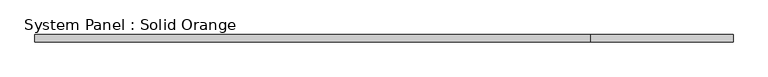
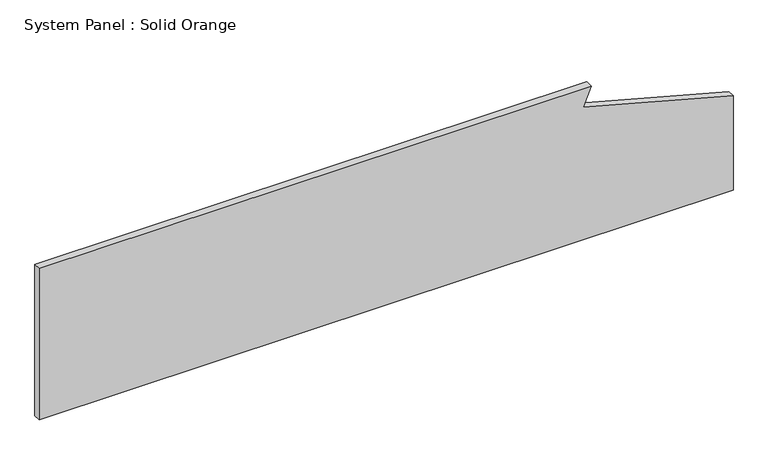
"""IFC4 building model written with IfcOpenShell, lengths in millimetres: plate geometry, System Panel : Solid Orange."""

from ifc_helpers import new_model, si_unit, frame, origin, place, context, project, spatial, polyline, outline, extrude, source, transform, mapped, element, save


def system_panel_solid_orange_415e7076(model_context):
    return source(origin(), model_context, "Body", "SweptSolid", [
        extrude(outline(polyline([(0.0, -2925.0), (0.0, 2925.0), (845.2867733, 2925.0), (1183.5185434, 1662.701849), (1350.0, 1727.4066103), (1350.0, -2925.0), (0.0, -2925.0)])), frame((0.0, -30.0, 0.0), z_axis=(0.0, 1.0, 0.0), x_axis=(0.0, 0.0, 1.0)), (0.0, 0.0, 1.0), 60.0),
    ])


if __name__ == "__main__":
    model = new_model("IFC4")
    model_context = context("Model", 3, world=origin())
    ifc_project = project(units=[si_unit("LENGTHUNIT", "METRE", prefix="MILLI")], contexts=[model_context])
    site = spatial("IfcSite", under=ifc_project)
    building = spatial("IfcBuilding", under=site)
    placement = place(None, origin())
    system_panel_solid_orange_shape = system_panel_solid_orange_415e7076(model_context)
    element("IfcPlate", 1, ObjectType="System Panel : Solid Orange", at=placement, inside=building, context=model_context, shape_type="MappedRepresentation", body=[
        mapped(system_panel_solid_orange_shape, transform((0.0, 0.0, 0.0), x_axis=(1.0, 0.0, 0.0), y_axis=(0.0, 1.0, 0.0), z_axis=(0.0, 0.0, 1.0))),
    ])
    save(model, "model.ifc")
